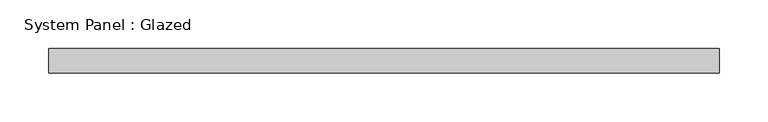
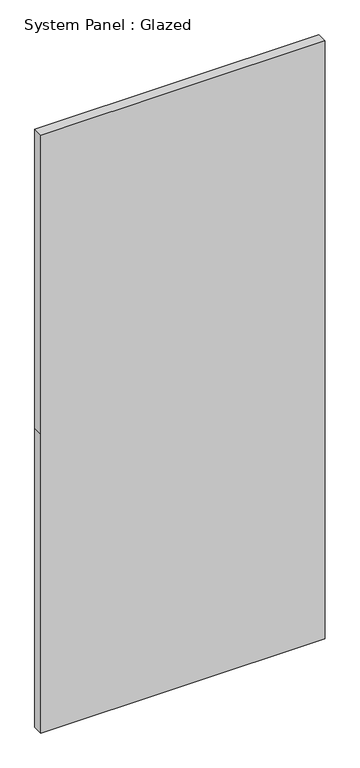
"""IFC4 building model written with IfcOpenShell, lengths in millimetres: plate geometry, System Panel : Glazed."""

from ifc_helpers import new_model, si_unit, frame, origin, place, context, project, spatial, polyline, outline, extrude, source, transform, mapped, element, save


def system_panel_glazed_dff1f939(model_context):
    return source(origin(), model_context, "Body", "SweptSolid", [
        extrude(outline(polyline([(0.0, -345.3), (0.0, 345.3), (768.2, 345.3), (1536.4, 345.3), (1536.4, -345.3), (768.2, -345.3), (0.0, -345.3)])), frame((0.0, -88.9, 0.0), z_axis=(0.0, 1.0, 0.0), x_axis=(0.0, 0.0, 1.0)), (0.0, 0.0, 1.0), 25.4),
    ])


if __name__ == "__main__":
    model = new_model("IFC4")
    model_context = context("Model", 3, world=origin())
    ifc_project = project(units=[si_unit("LENGTHUNIT", "METRE", prefix="MILLI")], contexts=[model_context])
    site = spatial("IfcSite", under=ifc_project)
    building = spatial("IfcBuilding", under=site)
    placement = place(None, origin())
    system_panel_glazed_shape = system_panel_glazed_dff1f939(model_context)
    element("IfcPlate", 1, ObjectType="System Panel : Glazed", at=placement, inside=building, context=model_context, shape_type="MappedRepresentation", body=[
        mapped(system_panel_glazed_shape, transform((0.0, 0.0, 0.0), x_axis=(1.0, 0.0, 0.0), y_axis=(0.0, 1.0, 0.0), z_axis=(0.0, 0.0, 1.0))),
    ])
    save(model, "model.ifc")
